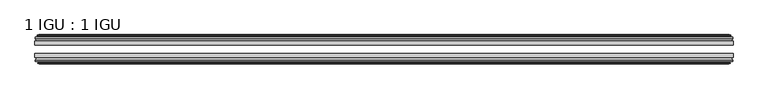
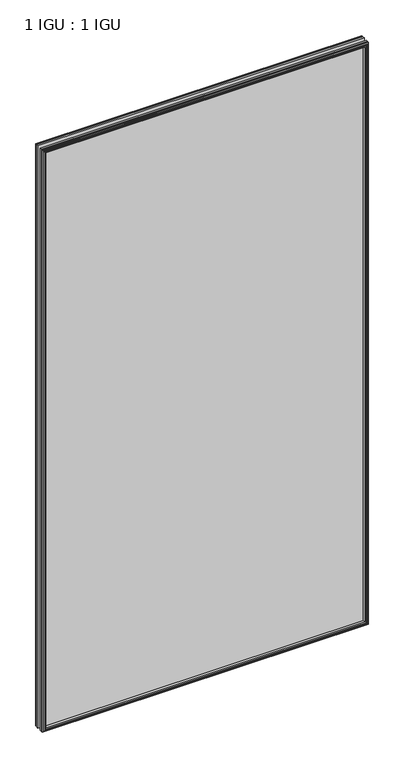
"""IFC4 building model written with IfcOpenShell, lengths in millimetres: plate geometry, 1 IGU : 1 IGU."""

from ifc_helpers import new_model, si_unit, frame, origin, place, context, project, spatial, polyline, outline, extrude, faceted_brep, source, transform, mapped, element, save


def plate_1_igu_1_igu_5dc75b81(model_context):
    return source(origin(), model_context, "Body", "SolidModel", [
        extrude(outline(polyline([(536.0633952, -19.5460937), (536.0633952, -25.8960938), (-536.0633952, -25.8960938), (-536.0633952, -19.5460937), (536.0633952, -19.5460937)])), frame((0.0, 0.0, -12.7), z_axis=(0.0, 0.0, 1.0), x_axis=(1.0, 0.0, 0.0)), (0.0, 0.0, 1.0), 2019.289595),
        extrude(outline(polyline([(-536.0633952, -44.9460938), (-536.0633952, -38.9186737), (536.0633952, -38.9186737), (536.0633952, -44.9460938), (-536.0633952, -44.9460938)])), frame((0.0, 0.0, -12.7), z_axis=(0.0, 0.0, 1.0), x_axis=(1.0, 0.0, 0.0)), (0.0, 0.0, 1.0), 2019.289595),
        faceted_brep([(-530.4753952, -53.6762907, 2001.001595), (-530.8563952, -51.2960937, 2001.382595), (-530.8563952, -51.2960937, -7.493), (-530.4753952, -53.6762907, -7.112), (-531.8909243, -53.2163575, 2002.4171241), (-531.8909243, -53.2163575, -8.5275291), (-531.8909243, -54.0175717, 2002.4171241), (-531.8909243, -54.0175717, -8.5275291), (-529.7133952, -54.7250937, 2000.239595), (-529.7133952, -54.7250937, -6.35), (-527.5358662, -54.0175717, 1998.062066), (-527.5358662, -54.0175717, -4.1724709), (-527.5358662, -53.2163575, 1998.062066), (-527.5358662, -53.2163575, -4.1724709), (-528.9513952, -53.6762907, 1999.477595), (-528.9513952, -53.6762907, -5.588), (-528.5703952, -51.2960937, 1999.096595), (-528.5703952, -51.2960937, -5.207), (-521.6456771, -44.9460937, 1992.171877), (-523.3633952, -51.2960937, 1993.889595), (-523.3633952, -51.2960937, 0.0), (-521.6456771, -44.9460937, 1.7177181), (-535.3013952, -48.3496937, 2005.827595), (-532.467053, -44.9460937, 2002.9932529), (-532.467053, -44.9460937, -9.1036578), (-535.3013952, -48.3496937, -11.938), (-535.3013952, -51.2960937, 2005.827595), (-535.3013952, -51.2960937, -11.938), (530.8563952, -51.2960938, -7.493), (530.4753952, -53.6762907, -7.112), (531.8909243, -53.2163575, -8.5275291), (531.8909243, -54.0175717, -8.5275291), (529.7133952, -54.7250937, -6.35), (527.5358662, -54.0175717, -4.1724709), (527.5358662, -53.2163575, -4.1724709), (528.9513952, -53.6762907, -5.588), (528.5703952, -51.2960937, -5.207), (523.3633952, -51.2960937, 0.0), (521.6456771, -44.9460937, 1.7177181), (532.467053, -44.9460937, -9.1036578), (535.3013952, -48.3496937, -11.938), (535.3013952, -51.2960938, -11.938), (530.8563952, -51.2960938, 2001.382595), (530.4753952, -53.6762907, 2001.001595), (531.8909243, -53.2163575, 2002.4171241), (531.8909243, -54.0175717, 2002.4171241), (529.7133952, -54.7250937, 2000.239595), (527.5358662, -54.0175717, 1998.062066), (527.5358662, -53.2163575, 1998.062066), (528.9513952, -53.6762907, 1999.477595), (528.5703952, -51.2960937, 1999.096595), (523.3633952, -51.2960937, 1993.889595), (521.6456771, -44.9460937, 1992.171877), (532.467053, -44.9460937, 2002.9932529), (535.3013952, -48.3496937, 2005.827595), (535.3013952, -51.2960938, 2005.827595)], [[[0, 1, 2, 3]], [[4, 0, 3, 5]], [[6, 4, 5, 7]], [[8, 6, 7, 9]], [[10, 8, 9, 11]], [[12, 10, 11, 13]], [[14, 12, 13, 15]], [[16, 14, 15, 17]], [[18, 19, 20, 21]], [[22, 23, 24, 25]], [[26, 22, 25, 27]], [[3, 2, 28, 29]], [[5, 3, 29, 30]], [[7, 5, 30, 31]], [[9, 7, 31, 32]], [[11, 9, 32, 33]], [[13, 11, 33, 34]], [[15, 13, 34, 35]], [[17, 15, 35, 36]], [[21, 20, 37, 38]], [[25, 24, 39, 40]], [[27, 25, 40, 41]], [[29, 28, 42, 43]], [[30, 29, 43, 44]], [[31, 30, 44, 45]], [[32, 31, 45, 46]], [[33, 32, 46, 47]], [[34, 33, 47, 48]], [[35, 34, 48, 49]], [[36, 35, 49, 50]], [[38, 37, 51, 52]], [[40, 39, 53, 54]], [[41, 40, 54, 55]], [[27, 41, 55, 26], [1, 42, 28, 2]], [[43, 42, 1, 0]], [[44, 43, 0, 4]], [[45, 44, 4, 6]], [[46, 45, 6, 8]], [[47, 46, 8, 10]], [[48, 47, 10, 12]], [[49, 48, 12, 14]], [[50, 49, 14, 16]], [[17, 36, 50, 16], [19, 51, 37, 20]], [[52, 51, 19, 18]], [[23, 53, 39, 24], [21, 38, 52, 18]], [[54, 53, 23, 22]], [[55, 54, 22, 26]]]),
        faceted_brep([(-532.987753, -19.5460937, 2003.5139529), (-535.8220952, -16.1424937, 2006.348295), (-535.8220952, -16.1424937, -12.4587), (-532.987753, -19.5460937, -9.6243578), (-523.8840952, -13.1960937, 1994.410295), (-522.1663771, -19.5460937, 1992.692577), (-522.1663771, -19.5460937, 1.1970181), (-523.8840952, -13.1960937, -0.5207), (-529.4720952, -10.8158968, 1999.998295), (-529.0910952, -13.1960937, 1999.617295), (-529.0910952, -13.1960937, -5.7277), (-529.4720952, -10.8158968, -6.1087), (-528.0565662, -11.27583, 1998.582766), (-528.0565662, -11.27583, -4.6931709), (-528.0565662, -10.4746158, 1998.582766), (-528.0565662, -10.4746158, -4.6931709), (-530.2340952, -9.7670937, 2000.760295), (-530.2340952, -9.7670937, -6.8707), (-532.4116243, -10.4746158, 2002.9378241), (-532.4116243, -10.4746158, -9.0482291), (-532.4116243, -11.27583, 2002.9378241), (-532.4116243, -11.27583, -9.0482291), (-530.9960952, -10.8158968, 2001.522295), (-530.9960952, -10.8158968, -7.6327), (-531.3770952, -13.1960937, 2001.903295), (-531.3770952, -13.1960937, -8.0137), (-535.8220952, -13.1960937, 2006.348295), (-535.8220952, -13.1960937, -12.4587), (535.8220952, -16.1424937, -12.4587), (532.987753, -19.5460937, -9.6243578), (522.1663771, -19.5460937, 1.1970181), (523.8840952, -13.1960937, -0.5207), (529.0910952, -13.1960937, -5.7277), (529.4720952, -10.8158968, -6.1087), (528.0565662, -11.27583, -4.6931709), (528.0565662, -10.4746158, -4.6931709), (530.2340952, -9.7670937, -6.8707), (532.4116243, -10.4746158, -9.0482291), (532.4116243, -11.27583, -9.0482291), (530.9960952, -10.8158968, -7.6327), (531.3770952, -13.1960937, -8.0137), (535.8220952, -13.1960937, -12.4587), (535.8220952, -16.1424937, 2006.348295), (532.987753, -19.5460937, 2003.5139529), (522.1663771, -19.5460937, 1992.692577), (523.8840952, -13.1960937, 1994.410295), (529.0910952, -13.1960937, 1999.617295), (529.4720952, -10.8158968, 1999.998295), (528.0565662, -11.27583, 1998.582766), (528.0565662, -10.4746158, 1998.582766), (530.2340952, -9.7670937, 2000.760295), (532.4116243, -10.4746158, 2002.9378241), (532.4116243, -11.27583, 2002.9378241), (530.9960952, -10.8158968, 2001.522295), (531.3770952, -13.1960937, 2001.903295), (535.8220952, -13.1960937, 2006.348295)], [[[0, 1, 2, 3]], [[4, 5, 6, 7]], [[8, 9, 10, 11]], [[12, 8, 11, 13]], [[14, 12, 13, 15]], [[16, 14, 15, 17]], [[18, 16, 17, 19]], [[20, 18, 19, 21]], [[22, 20, 21, 23]], [[24, 22, 23, 25]], [[1, 26, 27, 2]], [[3, 2, 28, 29]], [[7, 6, 30, 31]], [[11, 10, 32, 33]], [[13, 11, 33, 34]], [[15, 13, 34, 35]], [[17, 15, 35, 36]], [[19, 17, 36, 37]], [[21, 19, 37, 38]], [[23, 21, 38, 39]], [[25, 23, 39, 40]], [[2, 27, 41, 28]], [[29, 28, 42, 43]], [[31, 30, 44, 45]], [[33, 32, 46, 47]], [[34, 33, 47, 48]], [[35, 34, 48, 49]], [[36, 35, 49, 50]], [[37, 36, 50, 51]], [[38, 37, 51, 52]], [[39, 38, 52, 53]], [[40, 39, 53, 54]], [[28, 41, 55, 42]], [[43, 42, 1, 0]], [[3, 29, 43, 0], [5, 44, 30, 6]], [[45, 44, 5, 4]], [[9, 46, 32, 10], [7, 31, 45, 4]], [[47, 46, 9, 8]], [[48, 47, 8, 12]], [[49, 48, 12, 14]], [[50, 49, 14, 16]], [[51, 50, 16, 18]], [[52, 51, 18, 20]], [[53, 52, 20, 22]], [[54, 53, 22, 24]], [[26, 55, 41, 27], [25, 40, 54, 24]], [[42, 55, 26, 1]]]),
    ])


if __name__ == "__main__":
    model = new_model("IFC4")
    model_context = context("Model", 3, world=origin())
    ifc_project = project(units=[si_unit("LENGTHUNIT", "METRE", prefix="MILLI")], contexts=[model_context])
    site = spatial("IfcSite", under=ifc_project)
    building = spatial("IfcBuilding", under=site)
    placement = place(None, origin())
    plate_1_igu_1_igu_shape = plate_1_igu_1_igu_5dc75b81(model_context)
    element("IfcPlate", 1, ObjectType="1 IGU : 1 IGU", at=placement, inside=building, context=model_context, shape_type="MappedRepresentation", body=[
        mapped(plate_1_igu_1_igu_shape, transform((0.0, 0.0, 0.0), x_axis=(1.0, 0.0, 0.0), y_axis=(0.0, 1.0, 0.0), z_axis=(0.0, 0.0, 1.0))),
    ])
    save(model, "model.ifc")
